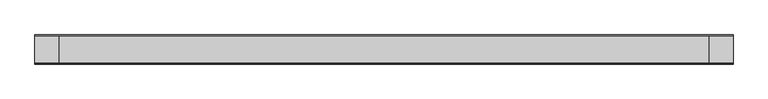
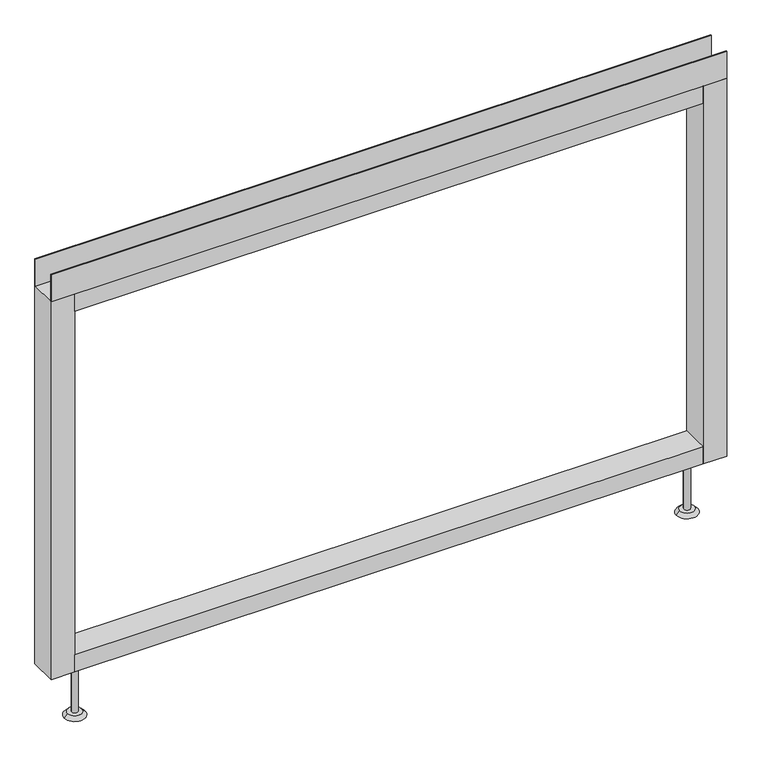
"""IFC4 building model written with IfcOpenShell, lengths in millimetres: furniture geometry."""

from ifc_helpers import new_model, si_unit, point, frame, frame_2d, origin, place, context, project, spatial, polyline, circle_curve, trimmed, segment, composite_curve, outline, extrude, source, transform, mapped, element, save
from ifc_brep_helpers import plane_surface, revolved_surface, advanced_brep


def furniture_c28545ed(model_context):
    return source(origin(), model_context, "Body", "SolidModel", [
        advanced_brep(
        [(539.75, 0.0, 6.35), (565.15, 0.0, 6.35), (533.4, 0.0, 0.0), (571.5, 0.0, 0.0)],
        [
            (0, 1, circle_curve(frame((552.45, 0.0, 6.35), z_axis=(0.0, 0.0, 1.0), x_axis=(-1.0, 0.0, 0.0)), 12.7)),
            (1, 0, circle_curve(frame((552.45, 0.0, 6.35), z_axis=(0.0, 0.0, 1.0), x_axis=(1.0, 0.0, 0.0)), 12.7)),
            (2, 3, circle_curve(frame((552.45, 0.0, 0.0), z_axis=(0.0, 0.0, -1.0), x_axis=(1.0, 0.0, 0.0)), 19.05)),
            (3, 2, circle_curve(frame((552.45, 0.0, 0.0), z_axis=(0.0, 0.0, -1.0), x_axis=(-1.0, 0.0, 0.0)), 19.05)),
            (3, 1),
            (0, 2),
        ],
        [
            plane_surface(frame((552.45, 0.0, 6.35), z_axis=(0.0, 0.0, 1.0), x_axis=(0.0, -1.0, 0.0))),
            plane_surface(frame((552.45, 0.0, 0.0), z_axis=(0.0, 0.0, -1.0), x_axis=(0.0, -1.0, 0.0))),
            revolved_surface(polyline([(539.75, 0.0, 6.35), (533.4, 0.0, 0.0)]), (552.45, 0.0, 19.05), (0.0, 0.0, -1.0)),
            revolved_surface(polyline([(565.15, 0.0, 6.35), (571.5, 0.0, 0.0)]), (552.45, 0.0, 19.05), (0.0, 0.0, -1.0)),
        ],
        [
            (0, [[1, 2]]),
            (1, [[3, 4]]),
            (2, [[-4, 5, -1, 6]]),
            (3, [[-3, -6, -2, -5]]),
        ],
    ),
        advanced_brep(
        [(-565.15, 0.0, 6.35), (-539.75, 0.0, 6.35), (-571.5, 0.0, 0.0), (-533.4, 0.0, 0.0)],
        [
            (0, 1, circle_curve(frame((-552.45, 0.0, 6.35), z_axis=(0.0, 0.0, 1.0), x_axis=(-1.0, 0.0, 0.0)), 12.7)),
            (1, 0, circle_curve(frame((-552.45, 0.0, 6.35), z_axis=(0.0, 0.0, 1.0), x_axis=(1.0, 0.0, 0.0)), 12.7)),
            (2, 3, circle_curve(frame((-552.45, 0.0, 0.0), z_axis=(0.0, 0.0, -1.0), x_axis=(1.0, 0.0, 0.0)), 19.05)),
            (3, 2, circle_curve(frame((-552.45, 0.0, 0.0), z_axis=(0.0, 0.0, -1.0), x_axis=(-1.0, 0.0, 0.0)), 19.05)),
            (3, 1),
            (0, 2),
        ],
        [
            plane_surface(frame((-552.45, 0.0, 6.35), z_axis=(0.0, 0.0, 1.0), x_axis=(0.0, -1.0, 0.0))),
            plane_surface(frame((-552.45, 0.0, 0.0), z_axis=(0.0, 0.0, -1.0), x_axis=(0.0, -1.0, 0.0))),
            revolved_surface(polyline([(-565.15, 0.0, 6.35), (-571.5, 0.0, 0.0)]), (-552.45, 0.0, 19.05), (0.0, 0.0, -1.0)),
            revolved_surface(polyline([(-539.75, 0.0, 6.35), (-533.4, 0.0, 0.0)]), (-552.45, 0.0, 19.05), (0.0, 0.0, -1.0)),
        ],
        [
            (0, [[1, 2]]),
            (1, [[3, 4]]),
            (2, [[-4, 5, -1, 6]]),
            (3, [[-3, -6, -2, -5]]),
        ],
    ),
        extrude(outline(polyline([(609.6, -23.8125), (609.6, -25.4), (-609.6, -25.4), (-609.6, -23.8125), (609.6, -23.8125)])), frame((0.0, 0.0, 822.833), z_axis=(0.0, 0.0, 1.0), x_axis=(1.0, 0.0, 0.0)), (0.0, 0.0, 1.0), 51.435),
        extrude(outline(polyline([(609.6, 25.4), (609.6, 23.8125), (-609.6, 23.8125), (-609.6, 25.4), (609.6, 25.4)])), frame((0.0, 0.0, 822.833), z_axis=(0.0, 0.0, 1.0), x_axis=(1.0, 0.0, 0.0)), (0.0, 0.0, 1.0), 51.435),
        extrude(outline(polyline([(566.7375, -25.4), (-566.7375, -25.4), (-566.7375, 25.4), (566.7375, 25.4), (566.7375, -25.4)])), frame((0.0, 0.0, 789.94), z_axis=(0.0, 0.0, 1.0), x_axis=(1.0, 0.0, 0.0)), (0.0, 0.0, 1.0), 32.893),
        extrude(outline(polyline([(566.7375, -25.4), (-566.7375, -25.4), (-566.7375, 25.4), (566.7375, 25.4), (566.7375, -25.4)])), frame((0.0, 0.0, 101.6), z_axis=(0.0, 0.0, 1.0), x_axis=(1.0, 0.0, 0.0)), (0.0, 0.0, 1.0), 32.893),
        extrude(outline(composite_curve([segment(trimmed(circle_curve(frame_2d((-552.45, 0.0)), 5.55625), [point((-558.00625, 0.0))], [point((-546.89375, 0.0))], False, "CARTESIAN"), True, "CONTINUOUS"), segment(trimmed(circle_curve(frame_2d((-552.45, 0.0)), 5.55625), [point((-546.89375, 0.0))], [point((-558.00625, 0.0))], False, "CARTESIAN"), True, "CONTINUOUS")], self_intersect=False)), frame((0.0, 0.0, 6.35), z_axis=(0.0, 0.0, 1.0), x_axis=(1.0, 0.0, 0.0)), (0.0, 0.0, 1.0), 95.25),
        extrude(outline(composite_curve([segment(trimmed(circle_curve(frame_2d((552.45, 0.0)), 5.55625), [point((546.89375, 0.0))], [point((558.00625, 0.0))], False, "CARTESIAN"), True, "CONTINUOUS"), segment(trimmed(circle_curve(frame_2d((552.45, 0.0)), 5.55625), [point((558.00625, 0.0))], [point((546.89375, 0.0))], False, "CARTESIAN"), True, "CONTINUOUS")], self_intersect=False)), frame((0.0, 0.0, 6.35), z_axis=(0.0, 0.0, 1.0), x_axis=(1.0, 0.0, 0.0)), (0.0, 0.0, 1.0), 95.25),
        extrude(outline(polyline([(-566.7375, -25.4), (-609.6, -25.4), (-609.6, 25.4), (-566.7375, 25.4), (-566.7375, -25.4)])), frame((0.0, 0.0, 101.6), z_axis=(0.0, 0.0, 1.0), x_axis=(1.0, 0.0, 0.0)), (0.0, 0.0, 1.0), 721.233),
        extrude(outline(polyline([(609.6, -25.4), (566.7375, -25.4), (566.7375, 25.4), (609.6, 25.4), (609.6, -25.4)])), frame((0.0, 0.0, 101.6), z_axis=(0.0, 0.0, 1.0), x_axis=(1.0, 0.0, 0.0)), (0.0, 0.0, 1.0), 721.233),
    ])


if __name__ == "__main__":
    model = new_model("IFC4")
    model_context = context("Model", 3, world=origin())
    ifc_project = project(units=[si_unit("LENGTHUNIT", "METRE", prefix="MILLI")], contexts=[model_context])
    site = spatial("IfcSite", under=ifc_project)
    building = spatial("IfcBuilding", under=site)
    placement = place(None, origin())
    furniture_shape = furniture_c28545ed(model_context)
    element("IfcFurniture", 1, at=placement, inside=building, context=model_context, shape_type="MappedRepresentation", body=[
        mapped(furniture_shape, transform((0.0, 0.0, 0.0), x_axis=(1.0, 0.0, 0.0), y_axis=(0.0, 1.0, 0.0), z_axis=(0.0, 0.0, 1.0))),
    ])
    save(model, "model.ifc")
